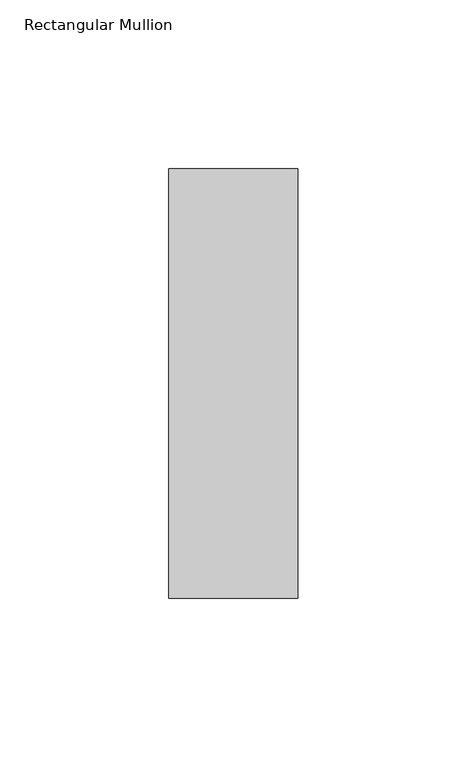
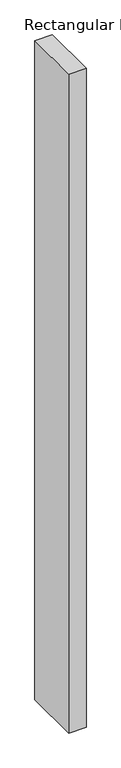
"""IFC4 building model written with IfcOpenShell, lengths in millimetres: member geometry, Rectangular Mullion."""

from ifc_helpers import new_model, si_unit, frame, origin, place, context, project, spatial, polyline, outline, extrude, source, transform, mapped, element, save


def rectangular_mullion_627056c8(model_context):
    return source(origin(), model_context, "Body", "SweptSolid", [
        extrude(outline(polyline([(0.0, -63.5), (-38.0864723, -63.5), (-38.0864723, 63.5), (0.0, 63.5), (0.0, -63.5)])), frame((0.0, 0.0, -1518.4444557), z_axis=(0.0, 0.0, 1.0), x_axis=(1.0, 0.0, 0.0)), (0.0, 0.0, 1.0), 1518.4444557),
    ])


if __name__ == "__main__":
    model = new_model("IFC4")
    model_context = context("Model", 3, world=origin())
    ifc_project = project(units=[si_unit("LENGTHUNIT", "METRE", prefix="MILLI")], contexts=[model_context])
    site = spatial("IfcSite", under=ifc_project)
    building = spatial("IfcBuilding", under=site)
    placement = place(None, origin())
    rectangular_mullion_shape = rectangular_mullion_627056c8(model_context)
    element("IfcMember", 1, ObjectType="Rectangular Mullion", at=placement, inside=building, context=model_context, shape_type="MappedRepresentation", body=[
        mapped(rectangular_mullion_shape, transform((0.0, 0.0, 0.0), x_axis=(1.0, 0.0, 0.0), y_axis=(0.0, 1.0, 0.0), z_axis=(0.0, 0.0, 1.0))),
    ])
    save(model, "model.ifc")
